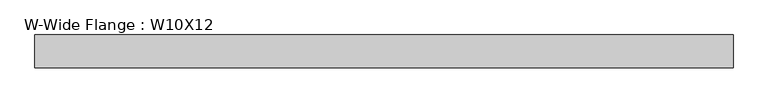
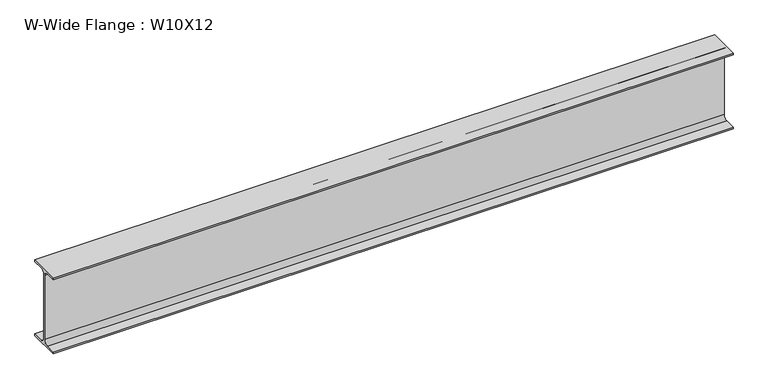
"""IFC4 building model written with IfcOpenShell, lengths in millimetres: beam geometry, W-Wide Flange : W10X12."""

from ifc_helpers import new_model, si_unit, point, frame, frame_2d, origin, place, context, project, spatial, polyline, circle_curve, trimmed, segment, composite_curve, outline, extrude, source, transform, mapped, element, save


def w_wide_flange_w10x12_f746b11d(model_context):
    return source(origin(), model_context, "Body", "SweptSolid", [
        extrude(outline(composite_curve([segment(polyline([(50.3039062, -120.0050781), (50.3039062, -125.3628906), (-50.3039063, -125.3628906), (-50.3039063, -120.0050781), (-16.1230469, -120.0050781)]), True, "CONTINUOUS"), segment(trimmed(circle_curve(frame_2d((-16.1230469, -106.3128906)), 13.6921875), [point((-16.1230469, -120.0050781))], [point((-2.4308594, -106.3128906))], True, "CARTESIAN"), True, "CONTINUOUS"), segment(polyline([(-2.4308594, -106.3128906), (-2.4308594, 106.3128906)]), True, "CONTINUOUS"), segment(trimmed(circle_curve(frame_2d((-16.1230469, 106.3128906)), 13.6921875), [point((-2.4308594, 106.3128906))], [point((-16.1230469, 120.0050781))], True, "CARTESIAN"), True, "CONTINUOUS"), segment(polyline([(-16.1230469, 120.0050781), (-50.3039063, 120.0050781), (-50.3039063, 125.3628906), (50.3039062, 125.3628906), (50.3039062, 120.0050781), (16.1230469, 120.0050781)]), True, "CONTINUOUS"), segment(trimmed(circle_curve(frame_2d((16.1230469, 106.3128906)), 13.6921875), [point((16.1230469, 120.0050781))], [point((2.4308594, 106.3128906))], True, "CARTESIAN"), True, "CONTINUOUS"), segment(polyline([(2.4308594, 106.3128906), (2.4308594, -106.3128906)]), True, "CONTINUOUS"), segment(trimmed(circle_curve(frame_2d((16.1230469, -106.3128906)), 13.6921875), [point((2.4308594, -106.3128906))], [point((16.1230469, -120.0050781))], True, "CARTESIAN"), True, "CONTINUOUS"), segment(polyline([(16.1230469, -120.0050781), (50.3039062, -120.0050781)]), True, "CONTINUOUS")], self_intersect=False)), frame((-1060.45, 0.0, 0.0), z_axis=(1.0, 0.0, 0.0), x_axis=(0.0, 1.0, 0.0)), (0.0, 0.0, 1.0), 2133.6),
    ])


if __name__ == "__main__":
    model = new_model("IFC4")
    model_context = context("Model", 3, world=origin())
    ifc_project = project(units=[si_unit("LENGTHUNIT", "METRE", prefix="MILLI")], contexts=[model_context])
    site = spatial("IfcSite", under=ifc_project)
    building = spatial("IfcBuilding", under=site)
    placement = place(None, origin())
    w_wide_flange_w10x12_shape = w_wide_flange_w10x12_f746b11d(model_context)
    element("IfcBeam", 1, ObjectType="W-Wide Flange : W10X12", at=placement, inside=building, context=model_context, shape_type="MappedRepresentation", body=[
        mapped(w_wide_flange_w10x12_shape, transform((0.0, 0.0, 0.0), x_axis=(1.0, 0.0, 0.0), y_axis=(0.0, 1.0, 0.0), z_axis=(0.0, 0.0, 1.0))),
    ])
    save(model, "model.ifc")
